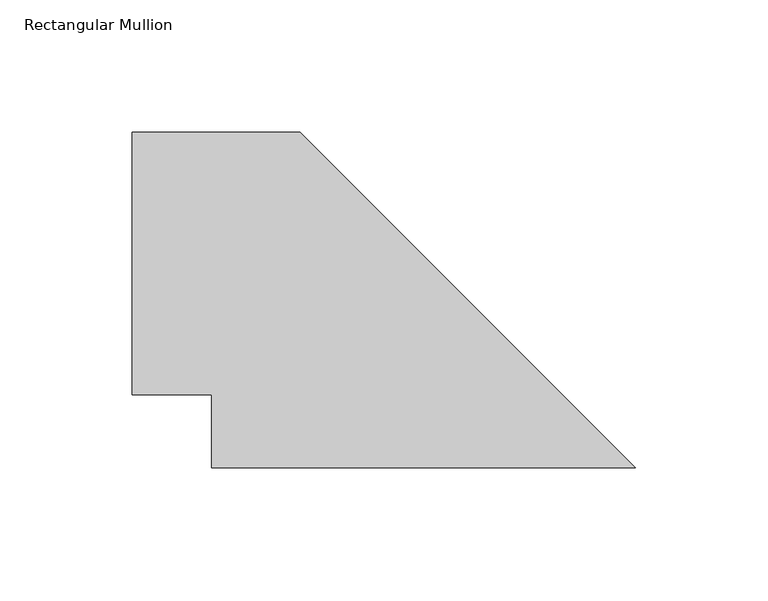
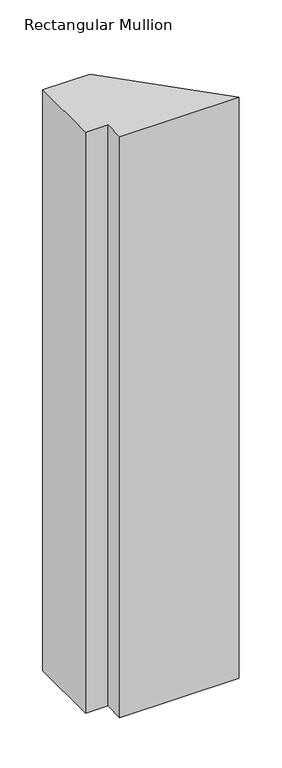
"""IFC4 building model written with IfcOpenShell, lengths in millimetres: member geometry, Rectangular Mullion."""

from ifc_helpers import new_model, si_unit, frame, origin, place, context, project, spatial, polyline, outline, extrude, source, transform, mapped, element, save


def rectangular_mullion_c7f245c1(model_context):
    return source(origin(), model_context, "Body", "SweptSolid", [
        extrude(outline(polyline([(-172.0794434, 11.6840047), (-172.0794434, 39.3700047), (-202.1840047, 39.3700047), (-202.1840047, 138.6840047), (-138.6840047, 138.6840047), (-11.6840047, 11.6840047), (-172.0794434, 11.6840047)])), frame((0.0, 0.0, -825.4909101), z_axis=(0.0, 0.0, 1.0), x_axis=(1.0, 0.0, 0.0)), (0.0, 0.0, 1.0), 825.4909101),
    ])


if __name__ == "__main__":
    model = new_model("IFC4")
    model_context = context("Model", 3, world=origin())
    ifc_project = project(units=[si_unit("LENGTHUNIT", "METRE", prefix="MILLI")], contexts=[model_context])
    site = spatial("IfcSite", under=ifc_project)
    building = spatial("IfcBuilding", under=site)
    placement = place(None, origin())
    rectangular_mullion_shape = rectangular_mullion_c7f245c1(model_context)
    element("IfcMember", 1, ObjectType="Rectangular Mullion", at=placement, inside=building, context=model_context, shape_type="MappedRepresentation", body=[
        mapped(rectangular_mullion_shape, transform((0.0, 0.0, 0.0), x_axis=(1.0, 0.0, 0.0), y_axis=(0.0, 1.0, 0.0), z_axis=(0.0, 0.0, 1.0))),
    ])
    save(model, "model.ifc")
